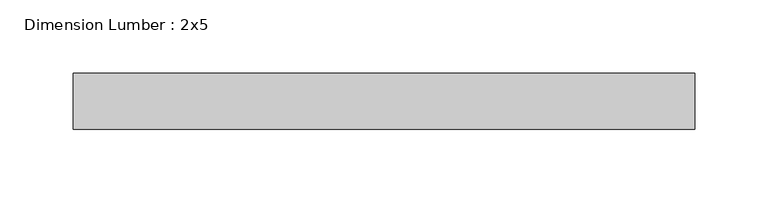
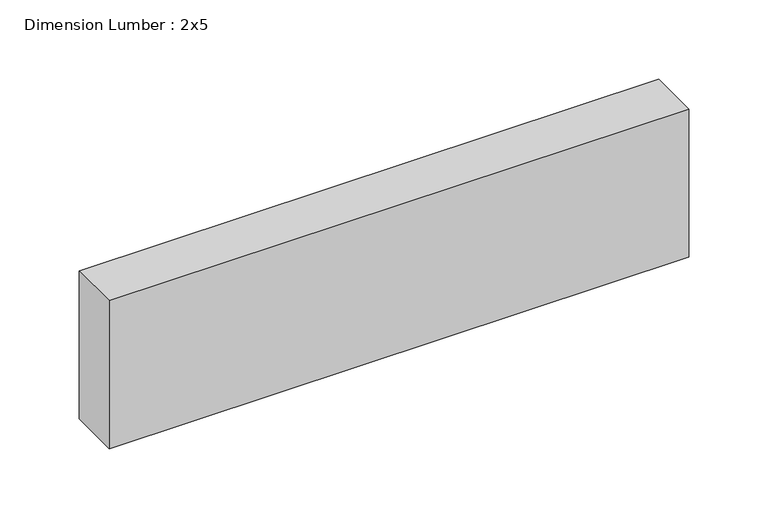
"""IFC4 building model written with IfcOpenShell, lengths in millimetres: beam geometry, Dimension Lumber : 2x5."""

from ifc_helpers import new_model, si_unit, frame, origin, place, context, project, spatial, polyline, outline, extrude, source, transform, mapped, element, save


def dimension_lumber_2x5_58a119c0(model_context):
    return source(origin(), model_context, "Body", "SweptSolid", [
        extrude(outline(polyline([(211.6053673, 19.05), (211.6053673, -19.05), (-211.6053673, -19.05), (-211.6053673, 19.05), (211.6053673, 19.05)])), frame((0.0, 0.0, -57.15), z_axis=(0.0, 0.0, 1.0), x_axis=(1.0, 0.0, 0.0)), (0.0, 0.0, 1.0), 114.3),
    ])


if __name__ == "__main__":
    model = new_model("IFC4")
    model_context = context("Model", 3, world=origin())
    ifc_project = project(units=[si_unit("LENGTHUNIT", "METRE", prefix="MILLI")], contexts=[model_context])
    site = spatial("IfcSite", under=ifc_project)
    building = spatial("IfcBuilding", under=site)
    placement = place(None, origin())
    dimension_lumber_2x5_shape = dimension_lumber_2x5_58a119c0(model_context)
    element("IfcBeam", 1, ObjectType="Dimension Lumber : 2x5", at=placement, inside=building, context=model_context, shape_type="MappedRepresentation", body=[
        mapped(dimension_lumber_2x5_shape, transform((0.0, 0.0, 0.0), x_axis=(1.0, 0.0, 0.0), y_axis=(0.0, 1.0, 0.0), z_axis=(0.0, 0.0, 1.0))),
    ])
    save(model, "model.ifc")
